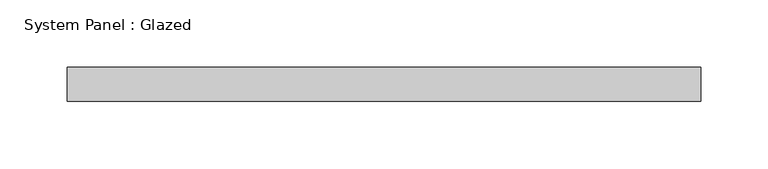
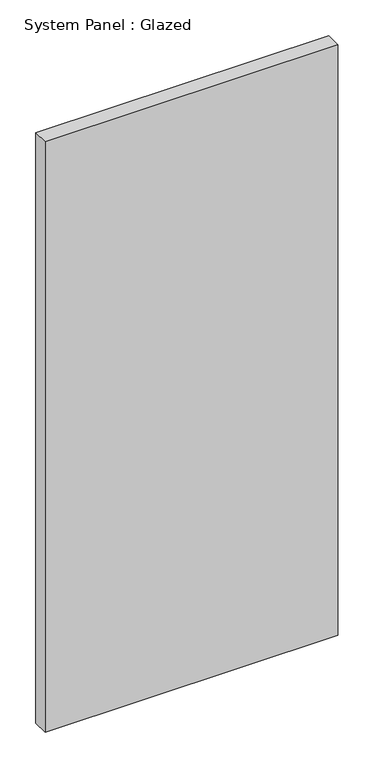
"""IFC4 building model written with IfcOpenShell, lengths in millimetres: plate geometry, System Panel : Glazed."""

from ifc_helpers import new_model, si_unit, origin, origin_with_axes, place, context, project, spatial, polyline, outline, extrude, source, transform, mapped, element, save


def system_panel_glazed_a82eb5ae(model_context):
    return source(origin(), model_context, "Body", "SweptSolid", [
        extrude(outline(polyline([(235.418934, 19.05), (-235.418934, 19.05), (-235.418934, 44.45), (235.418934, 44.45), (235.418934, 19.05)])), origin_with_axes(), (0.0, 0.0, 1.0), 1003.3),
    ])


if __name__ == "__main__":
    model = new_model("IFC4")
    model_context = context("Model", 3, world=origin())
    ifc_project = project(units=[si_unit("LENGTHUNIT", "METRE", prefix="MILLI")], contexts=[model_context])
    site = spatial("IfcSite", under=ifc_project)
    building = spatial("IfcBuilding", under=site)
    placement = place(None, origin())
    system_panel_glazed_shape = system_panel_glazed_a82eb5ae(model_context)
    element("IfcPlate", 1, ObjectType="System Panel : Glazed", at=placement, inside=building, context=model_context, shape_type="MappedRepresentation", body=[
        mapped(system_panel_glazed_shape, transform((0.0, 0.0, 0.0), x_axis=(1.0, 0.0, 0.0), y_axis=(0.0, 1.0, 0.0), z_axis=(0.0, 0.0, 1.0))),
    ])
    save(model, "model.ifc")
